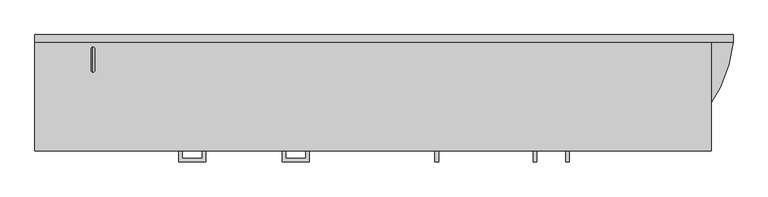
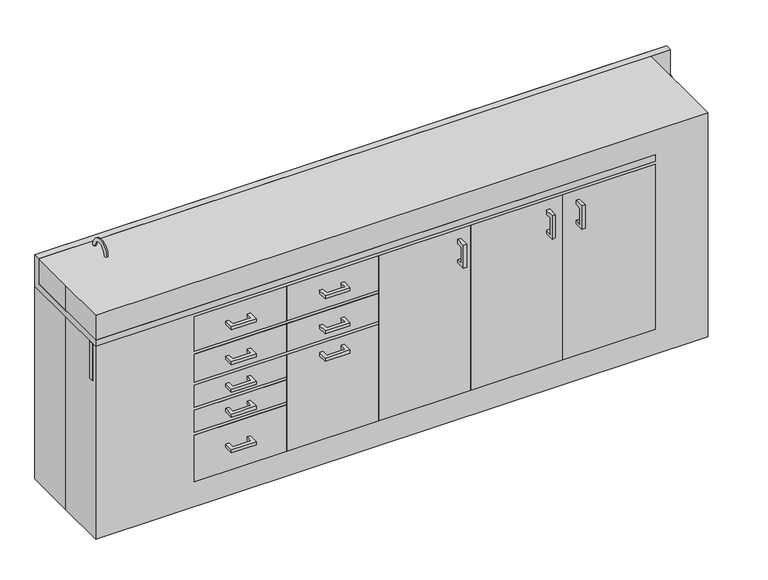
"""IFC4 building model written with IfcOpenShell, lengths in millimetres: proxy geometry."""

from ifc_helpers import new_model, si_unit, point, frame, frame_2d, origin, origin_with_axes, place, context, project, spatial, polyline, circle_curve, ellipse_curve, trimmed, segment, composite_curve, outline, extrude, source, transform, mapped, element, save
from ifc_brep_helpers import plane_surface, cylinder_surface, revolved_surface, advanced_brep


def specialty_equipment_938dc6ae(model_context):
    return source(origin(), model_context, "Body", "SolidModel", [
        extrude(outline(polyline([(-355.6, -241.3), (-355.6, -203.2), (-342.9159299, -203.2), (-342.9159299, -228.6159299), (-273.0340701, -228.6159299), (-273.0340701, -203.2), (-260.35, -203.2), (-260.35, -241.3), (-355.6, -241.3)])), frame((0.0, 0.0, 447.675), z_axis=(0.0, 0.0, 1.0), x_axis=(1.0, 0.0, 0.0)), (0.0, 0.0, 1.0), 12.7),
        extrude(outline(polyline([(-355.6, -241.3), (-355.6, -203.2), (-342.9159299, -203.2), (-342.9159299, -228.6159299), (-273.0340701, -228.6159299), (-273.0340701, -203.2), (-260.35, -203.2), (-260.35, -241.3), (-355.6, -241.3)])), frame((0.0, 0.0, 559.4775234), z_axis=(0.0, 0.0, 1.0), x_axis=(1.0, 0.0, 0.0)), (0.0, 0.0, 1.0), 12.7),
        extrude(outline(polyline([(-355.6, -241.3), (-355.6, -203.2), (-342.9159299, -203.2), (-342.9159299, -228.6159299), (-273.0340701, -228.6159299), (-273.0340701, -203.2), (-260.35, -203.2), (-260.35, -241.3), (-355.6, -241.3)])), frame((0.0, 0.0, 702.2975909), z_axis=(0.0, 0.0, 1.0), x_axis=(1.0, 0.0, 0.0)), (0.0, 0.0, 1.0), 12.7),
        extrude(outline(polyline([(-717.55, -241.3), (-717.55, -203.2), (-704.8659299, -203.2), (-704.8659299, -228.6159299), (-634.9840701, -228.6159299), (-634.9840701, -203.2), (-622.3, -203.2), (-622.3, -241.3), (-717.55, -241.3)])), frame((0.0, 0.0, 702.2975909), z_axis=(0.0, 0.0, 1.0), x_axis=(1.0, 0.0, 0.0)), (0.0, 0.0, 1.0), 12.7),
        extrude(outline(polyline([(-717.55, -241.3), (-717.55, -203.2), (-704.8659299, -203.2), (-704.8659299, -228.6159299), (-634.9840701, -228.6159299), (-634.9840701, -203.2), (-622.3, -203.2), (-622.3, -241.3), (-717.55, -241.3)])), frame((0.0, 0.0, 559.4775234), z_axis=(0.0, 0.0, 1.0), x_axis=(1.0, 0.0, 0.0)), (0.0, 0.0, 1.0), 12.7),
        extrude(outline(polyline([(-717.55, -241.3), (-717.55, -203.2), (-704.8659299, -203.2), (-704.8659299, -228.6159299), (-634.9840701, -228.6159299), (-634.9840701, -203.2), (-622.3, -203.2), (-622.3, -241.3), (-717.55, -241.3)])), frame((0.0, 0.0, 447.675), z_axis=(0.0, 0.0, 1.0), x_axis=(1.0, 0.0, 0.0)), (0.0, 0.0, 1.0), 12.7),
        extrude(outline(polyline([(-717.55, -241.3), (-717.55, -203.2), (-704.8659299, -203.2), (-704.8659299, -228.6159299), (-634.9840701, -228.6159299), (-634.9840701, -203.2), (-622.3, -203.2), (-622.3, -241.3), (-717.55, -241.3)])), frame((0.0, 0.0, 346.075), z_axis=(0.0, 0.0, 1.0), x_axis=(1.0, 0.0, 0.0)), (0.0, 0.0, 1.0), 12.7),
        extrude(outline(polyline([(-717.55, -241.3), (-717.55, -203.2), (-704.8659299, -203.2), (-704.8659299, -228.6159299), (-634.9840701, -228.6159299), (-634.9840701, -203.2), (-622.3, -203.2), (-622.3, -241.3), (-717.55, -241.3)])), frame((0.0, 0.0, 200.7091385), z_axis=(0.0, 0.0, 1.0), x_axis=(1.0, 0.0, 0.0)), (0.0, 0.0, 1.0), 12.7),
        extrude(outline(polyline([(-241.3, 639.5889522), (-241.3, 734.8389522), (-203.2, 734.8389522), (-203.2, 718.2400602), (-228.6159299, 718.2400602), (-228.6159299, 652.2730222), (-203.2, 652.2730222), (-203.2, 639.5889522), (-241.3, 639.5889522)])), frame((635.0, 0.0, 0.0), z_axis=(1.0, 0.0, 0.0), x_axis=(0.0, 1.0, 0.0)), (0.0, 0.0, 1.0), 12.7),
        extrude(outline(polyline([(-241.3, 639.5889522), (-241.3, 734.8389522), (-203.2, 734.8389522), (-203.2, 718.2400602), (-228.6159299, 718.2400602), (-228.6159299, 652.2730222), (-203.2, 652.2730222), (-203.2, 639.5889522), (-241.3, 639.5889522)])), frame((520.7, 0.0, 0.0), z_axis=(1.0, 0.0, 0.0), x_axis=(0.0, 1.0, 0.0)), (0.0, 0.0, 1.0), 12.7),
        extrude(outline(polyline([(-241.3, 639.5889522), (-241.3, 734.8389522), (-203.2, 734.8389522), (-203.2, 718.2400602), (-228.6159299, 718.2400602), (-228.6159299, 652.2730222), (-203.2, 652.2730222), (-203.2, 639.5889522), (-241.3, 639.5889522)])), frame((177.8, 0.0, 0.0), z_axis=(1.0, 0.0, 0.0), x_axis=(0.0, 1.0, 0.0)), (0.0, 0.0, 1.0), 12.7),
        advanced_brep(
        [(-1014.0443585, -165.0080446, 787.3899582), (-1014.0443585, 139.7919554, 787.3899582), (-1014.0443585, 128.6794554, 787.3899582), (-1014.0443585, -153.8955446, 787.3899582), (-1014.0443585, 127.0919554, 785.8024582), (-1014.0443585, -152.3080446, 785.8024582), (-1014.0443585, 127.0919554, 730.25), (-1014.0443585, -152.3080446, 730.25), (-1014.0443585, -101.5080446, 679.45), (-1014.0443585, 76.2919554, 679.45), (-1014.0443585, -0.1899284, 679.45), (-1003.5461263, -12.6976148, 679.45), (-1014.0443585, -25.2053012, 679.45), (-1028.9461263, -12.6976148, 679.45), (-1014.0443585, -158.6580446, 676.275), (-1014.0443585, 133.4419554, 676.275), (-1014.0443585, 133.4419554, 784.0168572), (-1014.0443585, -158.6580446, 784.0168572), (-1014.0443585, 139.7919554, 784.0168572), (-1014.0443585, -165.0080446, 784.0168572), (-1014.0443585, -25.2053012, 676.275), (-1003.5461263, -12.6976148, 676.275), (-1014.0443585, -0.1899284, 676.275), (-1028.9461263, -12.6976148, 676.275)],
        [
            (0, 1, circle_curve(frame((-1014.0443585, -12.6080446, 787.3899582), z_axis=(0.0, 0.0, 1.0), x_axis=(0.0, 1.0, 0.0)), 152.4)),
            (1, 2),
            (2, 3, circle_curve(frame((-1014.0443585, -12.6080446, 787.3899582), z_axis=(0.0, 0.0, -1.0), x_axis=(0.0, 1.0, 0.0)), 141.2875)),
            (3, 0),
            (1, 0, circle_curve(frame((-1014.0443585, -12.6080446, 787.3899582), z_axis=(0.0, 0.0, 1.0), x_axis=(0.0, 1.0, 0.0)), 152.4)),
            (3, 2, circle_curve(frame((-1014.0443585, -12.6080446, 787.3899582), z_axis=(0.0, 0.0, -1.0), x_axis=(0.0, 1.0, 0.0)), 141.2875)),
            (2, 4, circle_curve(frame((-1014.0443585, 128.6794554, 785.8024582), z_axis=(1.0, 0.0, 0.0), x_axis=(0.0, 1.0, 0.0)), 1.5875)),
            (4, 5, circle_curve(frame((-1014.0443585, -12.6080446, 785.8024582), z_axis=(0.0, 0.0, -1.0), x_axis=(0.0, 1.0, 0.0)), 139.7)),
            (5, 3, circle_curve(frame((-1014.0443585, -153.8955446, 785.8024582), z_axis=(1.0, 0.0, 0.0), x_axis=(0.0, -1.0, 0.0)), 1.5875)),
            (5, 4, circle_curve(frame((-1014.0443585, -12.6080446, 785.8024582), z_axis=(0.0, 0.0, -1.0), x_axis=(0.0, 1.0, 0.0)), 139.7)),
            (4, 6),
            (6, 7, circle_curve(frame((-1014.0443585, -12.6080446, 730.25), z_axis=(0.0, 0.0, -1.0), x_axis=(0.0, 1.0, 0.0)), 139.7)),
            (7, 5),
            (7, 6, circle_curve(frame((-1014.0443585, -12.6080446, 730.25), z_axis=(0.0, 0.0, -1.0), x_axis=(0.0, 1.0, 0.0)), 139.7)),
            (8, 9, circle_curve(frame((-1014.0443585, -12.6080446, 679.45), z_axis=(0.0, 0.0, 1.0), x_axis=(0.0, 1.0, 0.0)), 88.9)),
            (9, 10),
            (10, 11, circle_curve(frame((-1016.2461263, -12.6976148, 679.45), z_axis=(0.0, 0.0, -1.0), x_axis=(-1.0, 0.0, 0.0)), 12.7)),
            (11, 12, circle_curve(frame((-1016.2461263, -12.6976148, 679.45), z_axis=(0.0, 0.0, -1.0), x_axis=(-1.0, 0.0, 0.0)), 12.7)),
            (12, 8),
            (9, 8, circle_curve(frame((-1014.0443585, -12.6080446, 679.45), z_axis=(0.0, 0.0, 1.0), x_axis=(0.0, 1.0, 0.0)), 88.9)),
            (12, 13, circle_curve(frame((-1016.2461263, -12.6976148, 679.45), z_axis=(0.0, 0.0, -1.0), x_axis=(-1.0, 0.0, 0.0)), 12.7)),
            (13, 10, circle_curve(frame((-1016.2461263, -12.6976148, 679.45), z_axis=(0.0, 0.0, -1.0), x_axis=(-1.0, 0.0, 0.0)), 12.7)),
            (14, 15, circle_curve(frame((-1014.0443585, -12.6080446, 676.275), z_axis=(0.0, 0.0, 1.0), x_axis=(0.0, 1.0, 0.0)), 146.05)),
            (15, 16),
            (16, 17, circle_curve(frame((-1014.0443585, -12.6080446, 784.0168572), z_axis=(0.0, 0.0, -1.0), x_axis=(0.0, 1.0, 0.0)), 146.05)),
            (17, 14),
            (15, 14, circle_curve(frame((-1014.0443585, -12.6080446, 676.275), z_axis=(0.0, 0.0, 1.0), x_axis=(0.0, 1.0, 0.0)), 146.05)),
            (17, 16, circle_curve(frame((-1014.0443585, -12.6080446, 784.0168572), z_axis=(0.0, 0.0, -1.0), x_axis=(0.0, 1.0, 0.0)), 146.05)),
            (16, 18),
            (18, 19, circle_curve(frame((-1014.0443585, -12.6080446, 784.0168572), z_axis=(0.0, 0.0, -1.0), x_axis=(0.0, 1.0, 0.0)), 152.4)),
            (19, 17),
            (19, 18, circle_curve(frame((-1014.0443585, -12.6080446, 784.0168572), z_axis=(0.0, 0.0, -1.0), x_axis=(0.0, 1.0, 0.0)), 152.4)),
            (0, 19),
            (18, 1),
            (14, 20),
            (20, 21, circle_curve(frame((-1016.2461263, -12.6976148, 676.275), z_axis=(0.0, 0.0, 1.0), x_axis=(-1.0, 0.0, 0.0)), 12.7)),
            (21, 22, circle_curve(frame((-1016.2461263, -12.6976148, 676.275), z_axis=(0.0, 0.0, 1.0), x_axis=(-1.0, 0.0, 0.0)), 12.7)),
            (22, 15),
            (22, 23, circle_curve(frame((-1016.2461263, -12.6976148, 676.275), z_axis=(0.0, 0.0, 1.0), x_axis=(-1.0, 0.0, 0.0)), 12.7)),
            (23, 20, circle_curve(frame((-1016.2461263, -12.6976148, 676.275), z_axis=(0.0, 0.0, 1.0), x_axis=(-1.0, 0.0, 0.0)), 12.7)),
            (6, 9, circle_curve(frame((-1014.0443585, 76.2919554, 730.25), z_axis=(-1.0, 0.0, 0.0), x_axis=(0.0, 1.0, 0.0)), 50.8)),
            (8, 7, circle_curve(frame((-1014.0443585, -101.5080446, 730.25), z_axis=(-1.0, 0.0, 0.0), x_axis=(0.0, -1.0, 0.0)), 50.8)),
            (23, 13),
            (11, 21),
        ],
        [
            plane_surface(frame((-1014.0443585, -12.6080446, 787.3899582), z_axis=(0.0, 0.0, 1.0), x_axis=(0.0, 1.0, 0.0))),
            revolved_surface(trimmed(ellipse_curve(frame((-1014.0443585, 128.6794554, 785.8024582), z_axis=(-1.0, 0.0, 0.0), x_axis=(0.0, 1.0, 0.0)), 1.5875, 1.5875), [point((-1014.0443585, 127.0919554, 785.8024582))], [point((-1014.0443585, 128.6794554, 787.3899582))], True, "CARTESIAN"), (-1014.0443585, -12.6080446, 787.4), (0.0, 0.0, -1.0)),
            revolved_surface(polyline([(-1014.0443585, 127.09195539999999, 730.25), (-1014.0443585, 127.09195539999999, 785.8024582)]), (-1014.0443585, -12.6080446, 787.4), (0.0, 0.0, -1.0)),
            plane_surface(frame((-1014.0443585, -12.6080446, 679.45), z_axis=(0.0, 0.0, 1.0), x_axis=(0.0, 1.0, 0.0))),
            cylinder_surface(frame((-1014.0443585, -12.6080446, 787.4), z_axis=(0.0, 0.0, -1.0), x_axis=(0.0, 1.0, 0.0)), 146.05),
            plane_surface(frame((-1014.0443585, -12.6080446, 784.0168572), z_axis=(0.0, 0.0, -1.0), x_axis=(0.0, 1.0, 0.0))),
            cylinder_surface(frame((-1014.0443585, -12.6080446, 787.4), z_axis=(0.0, 0.0, -1.0), x_axis=(0.0, 1.0, 0.0)), 152.4),
            plane_surface(frame((-1014.0443585, -12.6080446, 676.275), z_axis=(0.0, 0.0, -1.0), x_axis=(0.0, 1.0, 0.0))),
            revolved_surface(trimmed(ellipse_curve(frame((-1014.0443585, 76.2919554, 730.25), z_axis=(1.0, 0.0, 0.0), x_axis=(0.0, 1.0, 0.0)), 50.8, 50.8), [point((-1014.0443585, 76.2919554, 679.45))], [point((-1014.0443585, 127.0919554, 730.25))], True, "CARTESIAN"), (-1014.0443585, -12.6080446, 787.4), (0.0, 0.0, -1.0)),
            revolved_surface(polyline([(-1028.9461263, -12.6976148, 679.45), (-1028.9461263, -12.6976148, 676.275)]), (-1016.2461263, -12.6976148, 673.1), (0.0, 0.0, 1.0)),
        ],
        [
            (0, [[1, 2, 3, 4]]),
            (0, [[-2, 5, -4, 6]]),
            (1, [[-3, 7, 8, 9]]),
            (1, [[-6, -9, 10, -7]]),
            (2, [[-8, 11, 12, 13]]),
            (2, [[-10, -13, 14, -11]]),
            (3, [[15, 16, 17, 18, 19]]),
            (3, [[20, -19, 21, 22, -16]]),
            (4, [[23, 24, 25, 26]]),
            (4, [[-24, 27, -26, 28]]),
            (5, [[-25, 29, 30, 31]]),
            (5, [[-28, -31, 32, -29]]),
            (6, [[-1, 33, -30, 34]]),
            (6, [[-5, -34, -32, -33]]),
            (7, [[-23, 35, 36, 37, 38]]),
            (7, [[-27, -38, 39, 40, -35]]),
            (8, [[-12, 41, -15, 42]]),
            (8, [[-14, -42, -20, -41]]),
            (9, [[43, -21, -18, 44, -36, -40]]),
            (9, [[-43, -39, -37, -44, -17, -22]]),
        ],
    ),
        extrude(outline(polyline([(-1219.2, -184.15), (-1219.2, -165.1), (-850.9, -165.1), (-850.9, -184.15), (-1219.2, -184.15)])), frame((0.0, 0.0, 635.0), z_axis=(0.0, 0.0, 1.0), x_axis=(1.0, 0.0, 0.0)), (0.0, 0.0, 1.0), 152.4),
        extrude(outline(polyline([(-184.15, 101.6), (-203.2, 101.6), (-203.2, 774.4822891), (-193.675, 774.4822891), (-193.675, 787.2846899), (-184.15, 787.2846899), (-184.15, 101.6)])), frame((584.2, 0.0, 0.0), z_axis=(1.0, 0.0, 0.0), x_axis=(0.0, 1.0, 0.0)), (0.0, 0.0, 1.0), 355.6),
        extrude(outline(polyline([(-184.15, 101.6), (-203.2, 101.6), (-203.2, 774.7), (-193.675, 774.7), (-193.675, 787.4), (-184.15, 787.4), (-184.15, 101.6)])), frame((228.6, 0.0, 0.0), z_axis=(1.0, 0.0, 0.0), x_axis=(0.0, 1.0, 0.0)), (0.0, 0.0, 1.0), 355.6),
        extrude(outline(polyline([(-184.15, 101.6), (-203.2, 101.6), (-203.2, 774.7), (-193.675, 774.7), (-193.675, 787.4), (-184.15, 787.4), (-184.15, 101.6)])), frame((-127.0, 0.0, 0.0), z_axis=(1.0, 0.0, 0.0), x_axis=(0.0, 1.0, 0.0)), (0.0, 0.0, 1.0), 355.6),
        extrude(outline(polyline([(-193.675, 774.7), (-193.675, 787.4), (-184.15, 787.4), (-184.15, 635.0), (-203.2, 635.0), (-203.2, 774.7), (-193.675, 774.7)])), frame((-482.6, 0.0, 0.0), z_axis=(1.0, 0.0, 0.0), x_axis=(0.0, 1.0, 0.0)), (0.0, 0.0, 1.0), 355.6),
        extrude(outline(polyline([(-193.675, 622.9156171), (-193.675, 635.0), (-184.15, 635.0), (-184.15, 508.0524006), (-203.2, 508.0524006), (-203.2, 622.9156171), (-193.675, 622.9156171)])), frame((-482.6, 0.0, 0.0), z_axis=(1.0, 0.0, 0.0), x_axis=(0.0, 1.0, 0.0)), (0.0, 0.0, 1.0), 355.6),
        extrude(outline(polyline([(-193.675, 495.2120809), (-193.675, 508.0517033), (-184.15, 508.0517033), (-184.15, 101.6), (-203.2, 101.6), (-203.2, 495.2120809), (-193.675, 495.2120809)])), frame((-482.6, 0.0, 0.0), z_axis=(1.0, 0.0, 0.0), x_axis=(0.0, 1.0, 0.0)), (0.0, 0.0, 1.0), 355.6),
        extrude(outline(composite_curve([segment(trimmed(circle_curve(frame_2d((-1053.7479232, 156.0133962)), 12.7), [point((-1041.0479232, 156.0133962))], [point((-1066.4479232, 156.0133962))], False, "CARTESIAN"), True, "CONTINUOUS"), segment(trimmed(circle_curve(frame_2d((-1053.7479232, 156.0133962)), 12.7), [point((-1066.4479232, 156.0133962))], [point((-1041.0479232, 156.0133962))], False, "CARTESIAN"), True, "CONTINUOUS")], self_intersect=False)), frame((0.0, 0.0, 812.8), z_axis=(0.0, 0.0, 1.0), x_axis=(1.0, 0.0, 0.0)), (0.0, 0.0, 1.0), 31.75),
        extrude(outline(composite_curve([segment(trimmed(circle_curve(frame_2d((-980.5384765, 156.0133962)), 12.7), [point((-967.8384765, 156.0133962))], [point((-993.2384765, 156.0133962))], False, "CARTESIAN"), True, "CONTINUOUS"), segment(trimmed(circle_curve(frame_2d((-980.5384765, 156.0133962)), 12.7), [point((-993.2384765, 156.0133962))], [point((-967.8384765, 156.0133962))], False, "CARTESIAN"), True, "CONTINUOUS")], self_intersect=False)), frame((0.0, 0.0, 812.8), z_axis=(0.0, 0.0, 1.0), x_axis=(1.0, 0.0, 0.0)), (0.0, 0.0, 1.0), 31.75),
        advanced_brep(
        [(-1016.415785, 148.0147812, 812.8), (-1016.415785, 160.7147812, 812.8), (-1016.415785, 160.7147812, 914.4), (-1016.415785, 148.0147812, 914.4), (-1016.415785, 84.5147812, 914.4), (-1016.415785, 71.8147812, 914.4)],
        [
            (0, 1, circle_curve(frame((-1016.415785, 154.3647812, 812.8), z_axis=(0.0, 0.0, -1.0), x_axis=(0.0, 1.0, 0.0)), 6.35)),
            (1, 0, circle_curve(frame((-1016.415785, 154.3647812, 812.8), z_axis=(0.0, 0.0, -1.0), x_axis=(0.0, 1.0, 0.0)), 6.35)),
            (1, 2),
            (2, 3, circle_curve(frame((-1016.415785, 154.3647812, 914.4), z_axis=(0.0, 0.0, -1.0), x_axis=(0.0, 1.0, 0.0)), 6.35)),
            (3, 0),
            (3, 2, circle_curve(frame((-1016.415785, 154.3647812, 914.4), z_axis=(0.0, 0.0, -1.0), x_axis=(0.0, 1.0, 0.0)), 6.35)),
            (4, 5, circle_curve(frame((-1016.415785, 78.1647812, 914.4), z_axis=(0.0, 0.0, -1.0), x_axis=(0.0, -1.0, 0.0)), 6.35)),
            (5, 4, circle_curve(frame((-1016.415785, 78.1647812, 914.4), z_axis=(0.0, 0.0, -1.0), x_axis=(0.0, -1.0, 0.0)), 6.35)),
            (4, 3, circle_curve(frame((-1016.415785, 116.2647812, 914.4), z_axis=(-1.0, 0.0, 0.0), x_axis=(0.0, 1.0, 0.0)), 31.75)),
            (2, 5, circle_curve(frame((-1016.415785, 116.2647812, 914.4), z_axis=(1.0, 0.0, 0.0), x_axis=(0.0, 1.0, 0.0)), 44.45)),
        ],
        [
            plane_surface(frame((-1104.9, 154.3647812, 812.8), z_axis=(0.0, 0.0, -1.0), x_axis=(-1.0, 0.0, 0.0))),
            cylinder_surface(frame((-1016.415785, 154.3647812, 812.8), z_axis=(0.0, 0.0, -1.0), x_axis=(0.0, 1.0, 0.0)), 6.35),
            plane_surface(frame((-1104.9, 78.1647812, 914.4), z_axis=(0.0, 0.0, -1.0), x_axis=(-1.0, 0.0, 0.0))),
            revolved_surface(trimmed(ellipse_curve(frame((-1016.415785, 154.3647812, 914.4), z_axis=(0.0, 0.0, -1.0), x_axis=(0.0, 1.0, 0.0)), 6.35, 6.35), [point((-1016.415785, 160.7147812, 914.4))], [point((-1016.415785, 148.0147812, 914.4))], True, "CARTESIAN"), (-1104.9, 116.2647812, 914.4), (1.0, 0.0, 0.0)),
            revolved_surface(trimmed(ellipse_curve(frame((-1016.415785, 154.3647812, 914.4), z_axis=(0.0, 0.0, -1.0), x_axis=(0.0, 1.0, 0.0)), 6.35, 6.35), [point((-1016.415785, 148.0147812, 914.4))], [point((-1016.415785, 160.7147812, 914.4))], True, "CARTESIAN"), (-1104.9, 116.2647812, 914.4), (1.0, 0.0, 0.0)),
        ],
        [
            (0, [[1, 2]]),
            (1, [[-2, 3, 4, 5]]),
            (1, [[-1, -5, 6, -3]]),
            (2, [[7, 8]]),
            (3, [[9, -4, 10, -7]]),
            (4, [[-10, -6, -9, -8]]),
        ],
    ),
        extrude(outline(polyline([(-193.675, 774.7), (-193.675, 787.4), (-184.15, 787.4), (-184.15, 635.0), (-203.2, 635.0), (-203.2, 774.7), (-193.675, 774.7)])), frame((-838.2, 0.0, 0.0), z_axis=(1.0, 0.0, 0.0), x_axis=(0.0, 1.0, 0.0)), (0.0, 0.0, 1.0), 355.6),
        extrude(outline(polyline([(-193.675, 622.9156171), (-193.675, 635.0), (-184.15, 635.0), (-184.15, 508.0), (-203.2, 508.0), (-203.2, 622.9156171), (-193.675, 622.9156171)])), frame((-838.2, 0.0, 0.0), z_axis=(1.0, 0.0, 0.0), x_axis=(0.0, 1.0, 0.0)), (0.0, 0.0, 1.0), 355.6),
        extrude(outline(polyline([(-193.675, 495.3), (-193.675, 508.0), (-184.15, 508.0), (-184.15, 406.4), (-203.2, 406.4), (-203.2, 495.3), (-193.675, 495.3)])), frame((-838.2, 0.0, 0.0), z_axis=(1.0, 0.0, 0.0), x_axis=(0.0, 1.0, 0.0)), (0.0, 0.0, 1.0), 355.6),
        extrude(outline(polyline([(-193.675, 393.7), (-193.675, 406.4), (-184.15, 406.4), (-184.15, 304.8), (-203.2, 304.8), (-203.2, 393.7), (-193.675, 393.7)])), frame((-838.2, 0.0, 0.0), z_axis=(1.0, 0.0, 0.0), x_axis=(0.0, 1.0, 0.0)), (0.0, 0.0, 1.0), 355.6),
        extrude(outline(polyline([(-193.675, 292.1), (-193.675, 304.8), (-184.15, 304.8), (-184.15, 101.6), (-203.2, 101.6), (-203.2, 292.1), (-193.675, 292.1)])), frame((-838.2, 0.0, 0.0), z_axis=(1.0, 0.0, 0.0), x_axis=(0.0, 1.0, 0.0)), (0.0, 0.0, 1.0), 355.6),
        advanced_brep(
        [(-1219.2, 177.8, 914.4), (-1219.2, 203.2, 914.4), (-1219.2, 203.2, 787.4), (-1219.2, -203.2, 787.4), (-1219.2, -203.2, 812.8), (-1219.2, 177.8, 812.8), (1219.2, 177.8, 812.8), (1219.2, 177.8, 863.6), (1219.2, 177.8, 914.4), (939.8, -203.2, 812.8), (-874.2071906, -12.5959993, 812.8), (-1153.6071906, -12.5959993, 812.8), (939.8, -203.2, 787.4), (1219.2, 203.2, 787.4), (1219.2, 177.8, 787.4), (-1153.6071906, -12.5959993, 787.4), (-874.2071906, -12.5959993, 787.4), (1219.2, 203.2, 914.4)],
        [
            (0, 1),
            (1, 2),
            (2, 3),
            (3, 4),
            (4, 5),
            (5, 0),
            (5, 6),
            (6, 7),
            (7, 8),
            (8, 0),
            (4, 9),
            (9, 6, circle_curve(frame((763.8405952, 218.7835635, 812.8), z_axis=(0.0, 0.0, 1.0), x_axis=(1.0, 0.0, 0.0)), 457.2)),
            (10, 11, circle_curve(frame((-1013.9071906, -12.5959993, 812.8), z_axis=(0.0, 0.0, -1.0), x_axis=(-1.0, 0.0, 0.0)), 139.7)),
            (11, 10, circle_curve(frame((-1013.9071906, -12.5959993, 812.8), z_axis=(0.0, 0.0, -1.0), x_axis=(-1.0, 0.0, 0.0)), 139.7)),
            (3, 12),
            (12, 9),
            (2, 13),
            (13, 14),
            (14, 12, circle_curve(frame((763.8405952, 218.7835635, 787.4), z_axis=(0.0, 0.0, -1.0), x_axis=(1.0, 0.0, 0.0)), 457.2)),
            (15, 16, circle_curve(frame((-1013.9071906, -12.5959993, 787.4), z_axis=(0.0, 0.0, 1.0), x_axis=(-1.0, 0.0, 0.0)), 139.7)),
            (16, 15, circle_curve(frame((-1013.9071906, -12.5959993, 787.4), z_axis=(0.0, 0.0, 1.0), x_axis=(-1.0, 0.0, 0.0)), 139.7)),
            (17, 13),
            (1, 17),
            (8, 17),
            (15, 11),
            (10, 16),
            (6, 14),
        ],
        [
            plane_surface(frame((-1219.2, 177.8, 812.8), z_axis=(-1.0, 0.0, 0.0), x_axis=(0.0, 0.0, 1.0))),
            plane_surface(frame((1219.2, 177.8, 914.4), z_axis=(0.0, -1.0, 0.0), x_axis=(-1.0, 0.0, 0.0))),
            plane_surface(frame((1219.2, 177.8, 812.8), z_axis=(0.0, 0.0, 1.0), x_axis=(-1.0, 0.0, 0.0))),
            plane_surface(frame((1219.2, -203.2, 812.8), z_axis=(0.0, -1.0, 0.0), x_axis=(-1.0, 0.0, 0.0))),
            plane_surface(frame((1219.2, -203.2, 787.4), z_axis=(0.0, 0.0, -1.0), x_axis=(-1.0, 0.0, 0.0))),
            plane_surface(frame((1219.2, 203.2, 787.4), z_axis=(0.0, 1.0, 0.0), x_axis=(-1.0, 0.0, 0.0))),
            plane_surface(frame((1219.2, 203.2, 914.4), z_axis=(0.0, 0.0, 1.0), x_axis=(-1.0, 0.0, 0.0))),
            revolved_surface(polyline([(-1153.6071906, -12.5959993, 812.8), (-1153.6071906, -12.5959993, 787.4)]), (-1013.9071906, -12.5959993, 768.35), (0.0, 0.0, 1.0)),
            plane_surface(frame((1219.2, 177.8, 812.8), z_axis=(1.0, 0.0, 0.0), x_axis=(0.0, 0.0, -1.0))),
            cylinder_surface(frame((763.8405952, 218.7835635, 736.6), z_axis=(0.0, 0.0, -1.0), x_axis=(1.0, 0.0, 0.0)), 457.2),
        ],
        [
            (0, [[1, 2, 3, 4, 5, 6]]),
            (1, [[-6, 7, 8, 9, 10]]),
            (2, [[-5, 11, 12, -7], [13, 14]]),
            (3, [[-4, 15, 16, -11]]),
            (4, [[-3, 17, 18, 19, -15], [20, 21]]),
            (5, [[22, -17, -2, 23]]),
            (6, [[24, -23, -1, -10]]),
            (7, [[25, -13, 26, -20]]),
            (7, [[-25, -21, -26, -14]]),
            (8, [[-22, -24, -9, -8, 27, -18]]),
            (9, [[-27, -12, -16, -19]]),
        ],
    ),
        extrude(outline(polyline([(-1219.2, 203.2), (1143.0, 203.2), (1143.0, -203.2), (-1219.2, -203.2), (-1219.2, 0.0), (-1219.2, 203.2)])), origin_with_axes(), (0.0, 0.0, 1.0), 914.4),
        extrude(outline(polyline([(184.15, 785.890324), (184.15, 0.0), (-165.1, 0.0), (-165.1, 101.6), (-184.15, 101.6), (-184.15, 785.890324), (184.15, 785.890324)])), frame((939.8, 0.0, 0.0), z_axis=(1.0, 0.0, 0.0), x_axis=(0.0, 1.0, 0.0)), (0.0, 0.0, 1.0), 12.7),
        extrude(outline(polyline([(1199.3554733, 184.15), (-850.9, 184.15), (-850.9, 203.2), (1199.3554733, 203.2), (1199.3554733, 184.15)])), origin_with_axes(), (0.0, 0.0, 1.0), 787.6898809),
        extrude(outline(polyline([(-117.475, 184.15), (-117.475, -184.15), (-136.525, -184.15), (-136.525, 184.15), (-117.475, 184.15)])), frame((0.0, 0.0, 120.7166954), z_axis=(0.0, 0.0, 1.0), x_axis=(1.0, 0.0, 0.0)), (0.0, 0.0, 1.0), 653.9833046),
        extrude(outline(polyline([(184.15, 787.4), (184.15, 0.0), (-165.1, 0.0), (-165.1, 101.6), (-184.15, 101.6), (-184.15, 787.4), (184.15, 787.4)])), frame((-850.9, 0.0, 0.0), z_axis=(1.0, 0.0, 0.0), x_axis=(0.0, 1.0, 0.0)), (0.0, 0.0, 1.0), 12.7),
        extrude(outline(polyline([(-473.075, 184.15), (-473.075, -184.15), (-492.125, -184.15), (-492.125, 184.15), (-473.075, 184.15)])), frame((0.0, 0.0, 120.7166954), z_axis=(0.0, 0.0, 1.0), x_axis=(1.0, 0.0, 0.0)), (0.0, 0.0, 1.0), 666.6833046),
        extrude(outline(polyline([(952.5, -184.15), (-850.9, -184.15), (-850.9, -165.1), (952.5, -165.1), (952.5, -184.15)])), origin_with_axes(), (0.0, 0.0, 1.0), 101.6),
        extrude(outline(polyline([(-838.2, 184.15), (939.8, 184.15), (939.8, -184.15), (-838.2, -184.15), (-838.2, 184.15)])), frame((0.0, 0.0, 101.6), z_axis=(0.0, 0.0, 1.0), x_axis=(1.0, 0.0, 0.0)), (0.0, 0.0, 1.0), 19.1166954),
    ])


if __name__ == "__main__":
    model = new_model("IFC4")
    model_context = context("Model", 3, world=origin())
    ifc_project = project(units=[si_unit("LENGTHUNIT", "METRE", prefix="MILLI")], contexts=[model_context])
    site = spatial("IfcSite", under=ifc_project)
    building = spatial("IfcBuilding", under=site)
    placement = place(None, origin())
    specialty_equipment_shape = specialty_equipment_938dc6ae(model_context)
    element("IfcBuildingElementProxy", 1, Name="Specialty Equipment", at=placement, inside=building, context=model_context, shape_type="MappedRepresentation", body=[
        mapped(specialty_equipment_shape, transform((0.0, 0.0, 0.0), x_axis=(1.0, 0.0, 0.0), y_axis=(0.0, 1.0, 0.0), z_axis=(0.0, 0.0, 1.0))),
    ])
    save(model, "model.ifc")
